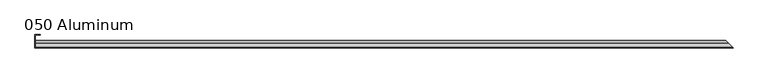
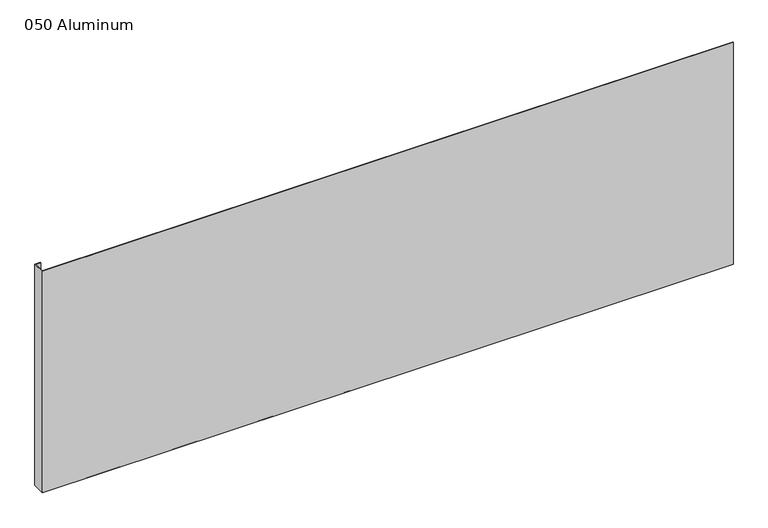
"""IFC4 building model written with IfcOpenShell, lengths in millimetres: plate geometry, 050 Aluminum."""

from ifc_helpers import new_model, si_unit, frame, origin, origin_with_axes, place, context, project, spatial, polyline, circle_curve, ellipse_curve, outline, extrude, source, transform, mapped, element, save
from ifc_brep_helpers import plane_surface, cylinder_surface, revolved_surface, advanced_brep


def plate_050_aluminum_b9e204f5(model_context):
    return source(origin(), model_context, "Body", "SolidModel", [
        extrude(outline(polyline([(-897.2286226, -2.5660257), (-897.2286226, -34.7980001), (-898.4986226, -34.7980001), (-898.4986226, -1.2699999), (-884.3381221, -1.2699999), (-884.3381221, -2.5660257), (-897.2286226, -2.5660257)])), origin_with_axes(), (0.0, 0.0, 1.0), 621.03),
        advanced_brep(
        [(-897.2286226, -16.6765477, 13.1458337), (-897.2286226, -16.6765477, 2.786437), (-897.2286226, -17.9464915, 2.786437), (-897.2286226, -17.9464915, 13.1323356), (-897.2286226, -21.7564743, 13.124237), (-897.2286226, -21.7564743, 0.0), (-897.2286226, -34.7980002, 0.0), (-897.2286226, -34.7980002, 1.2693678), (-897.2286226, -23.0264743, 1.2693678), (-897.2286226, -23.0264743, 13.124237), (915.1751704, -16.6765477, 13.1458337), (915.1751704, -16.6765477, 2.786437), (916.4451141, -17.9464915, 2.786437), (916.4451141, -17.9464915, 13.1323356), (920.2550969, -21.7564743, 13.124237), (920.2550969, -21.7564743, 0.0), (933.2966226, -34.798, 0.0), (933.2966228, -34.7980002, 1.2693678), (921.5250969, -23.0264743, 1.2693678), (921.5250969, -23.0264743, 13.124237)],
        [
            (0, 1),
            (1, 2),
            (2, 3),
            (3, 4, circle_curve(frame((-897.2286226, -19.8514743, 13.124237), z_axis=(1.0, 0.0, 0.0), x_axis=(0.0, 0.0, -1.0)), 1.905)),
            (4, 5),
            (5, 6),
            (6, 7),
            (7, 8),
            (8, 9),
            (9, 0, circle_curve(frame((-897.2286226, -19.8514743, 13.124237), z_axis=(-1.0, 0.0, 0.0), x_axis=(0.0, 0.0, -1.0)), 3.175)),
            (0, 10),
            (10, 11),
            (11, 1),
            (11, 12),
            (12, 2),
            (12, 13),
            (13, 3),
            (13, 14, ellipse_curve(frame((918.3500969, -19.8514743, 13.124237), z_axis=(0.7071067811865489, 0.7071067811865462, 0.0), x_axis=(0.707106781186546, -0.7071067811865489, 0.0)), 2.6940768, 1.905)),
            (14, 4),
            (14, 15),
            (15, 5),
            (15, 16),
            (16, 6),
            (16, 17),
            (17, 7),
            (17, 18),
            (18, 8),
            (18, 19),
            (19, 9),
            (19, 10, ellipse_curve(frame((918.3500969, -19.8514743, 13.124237), z_axis=(-0.7071067811865489, -0.7071067811865462, 0.0), x_axis=(-0.707106781186546, 0.7071067811865489, 0.0)), 4.4901281, 3.175)),
        ],
        [
            plane_surface(frame((-897.2286226, -36.068, 0.0), z_axis=(-1.0, 0.0, 0.0), x_axis=(0.0, 0.0, 1.0))),
            plane_surface(frame((-897.2286226, -16.6765477, 13.1458337), z_axis=(0.0, 1.0, 0.0), x_axis=(1.0, 0.0, 0.0))),
            plane_surface(frame((-897.2286226, -16.6765477, 2.786437), z_axis=(0.0, 0.0, -1.0), x_axis=(1.0, 0.0, 0.0))),
            plane_surface(frame((-897.2286226, -17.9464915, 2.786437), z_axis=(0.0, -1.0, 0.0), x_axis=(1.0, 0.0, 0.0))),
            revolved_surface(polyline([(920.2550969, -19.8514743, 11.219237000000001), (-897.2286226, -19.8514743, 11.219237000000001)]), (-897.2286226, -19.8514743, 13.124237), (1.0, 0.0, 0.0)),
            plane_surface(frame((-897.2286226, -21.7564743, 13.124237), z_axis=(0.0, 1.0, 0.0), x_axis=(1.0, 0.0, 0.0))),
            plane_surface(frame((-897.2286226, -21.7564743, 0.0), z_axis=(0.0, 0.0, -1.0), x_axis=(1.0, 0.0, 0.0))),
            plane_surface(frame((-897.2286226, -34.7980002, 0.0), z_axis=(0.0, -1.0, 0.0), x_axis=(1.0, 0.0, 0.0))),
            plane_surface(frame((-897.2286226, -34.7980002, 1.2693678), z_axis=(0.0, 0.0, 1.0), x_axis=(1.0, 0.0, 0.0))),
            plane_surface(frame((-897.2286226, -23.0264743, 1.2693678), z_axis=(0.0, -1.0, 0.0), x_axis=(1.0, 0.0, 0.0))),
            cylinder_surface(frame((-897.2286226, -19.8514743, 13.124237), z_axis=(-1.0, 0.0, 0.0), x_axis=(0.0, 0.0, -1.0)), 3.175),
            plane_surface(frame((898.4986226, 0.0, 795.4549971), z_axis=(0.7071067811865489, 0.7071067811865462, 0.0), x_axis=(0.0, 0.0, -1.0))),
        ],
        [
            (0, [[1, 2, 3, 4, 5, 6, 7, 8, 9, 10]]),
            (1, [[-1, 11, 12, 13]]),
            (2, [[-2, -13, 14, 15]]),
            (3, [[-3, -15, 16, 17]]),
            (4, [[-4, -17, 18, 19]]),
            (5, [[-5, -19, 20, 21]]),
            (6, [[-6, -21, 22, 23]]),
            (7, [[-7, -23, 24, 25]]),
            (8, [[-8, -25, 26, 27]]),
            (9, [[-9, -27, 28, 29]]),
            (10, [[-10, -29, 30, -11]]),
            (11, [[-12, -30, -28, -26, -24, -22, -20, -18, -16, -14]]),
        ],
    ),
        extrude(outline(polyline([(-898.4986226, -36.068), (-898.4986226, -34.7980001), (933.2966227, -34.7980001), (934.5666226, -36.068), (-898.4986226, -36.068)])), origin_with_axes(), (0.0, 0.0, 1.0), 622.3),
    ])


if __name__ == "__main__":
    model = new_model("IFC4")
    model_context = context("Model", 3, world=origin())
    ifc_project = project(units=[si_unit("LENGTHUNIT", "METRE", prefix="MILLI")], contexts=[model_context])
    site = spatial("IfcSite", under=ifc_project)
    building = spatial("IfcBuilding", under=site)
    placement = place(None, origin())
    plate_050_aluminum_shape = plate_050_aluminum_b9e204f5(model_context)
    element("IfcPlate", 1, ObjectType="050 Aluminum", at=placement, inside=building, context=model_context, shape_type="MappedRepresentation", body=[
        mapped(plate_050_aluminum_shape, transform((0.0, 0.0, 0.0), x_axis=(1.0, 0.0, 0.0), y_axis=(0.0, 1.0, 0.0), z_axis=(0.0, 0.0, 1.0))),
    ])
    save(model, "model.ifc")
